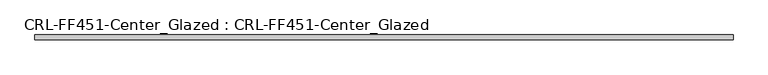
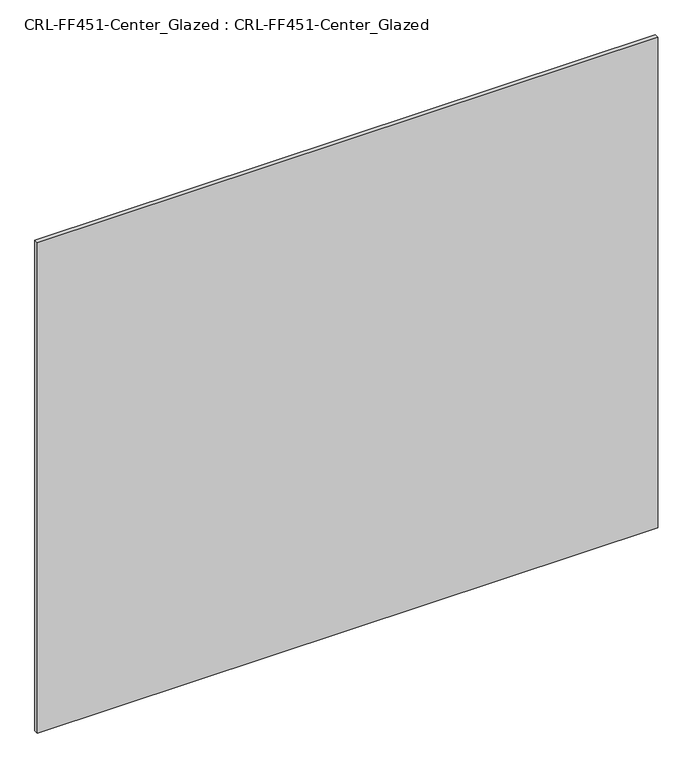
"""IFC4 building model written with IfcOpenShell, lengths in millimetres: plate geometry, CRL-FF451-Center_Glazed : CRL-FF451-Center_Glazed."""

from ifc_helpers import new_model, si_unit, origin, origin_with_axes, place, context, project, spatial, polyline, outline, extrude, source, transform, mapped, element, save


def crl_ff451_center_glazed_crl_ff451_center_glazed_f72a4ec6(model_context):
    return source(origin(), model_context, "Body", "SweptSolid", [
        extrude(outline(polyline([(-1841.5, 12.709956), (1841.5, 12.709956), (1841.5, -12.709956), (-1841.5, -12.709956), (-1841.5, 12.709956)])), origin_with_axes(), (0.0, 0.0, 1.0), 3076.575),
    ])


if __name__ == "__main__":
    model = new_model("IFC4")
    model_context = context("Model", 3, world=origin())
    ifc_project = project(units=[si_unit("LENGTHUNIT", "METRE", prefix="MILLI")], contexts=[model_context])
    site = spatial("IfcSite", under=ifc_project)
    building = spatial("IfcBuilding", under=site)
    placement = place(None, origin())
    crl_ff451_center_glazed_crl_ff451_center_glazed_shape = crl_ff451_center_glazed_crl_ff451_center_glazed_f72a4ec6(model_context)
    element("IfcPlate", 1, ObjectType="CRL-FF451-Center_Glazed : CRL-FF451-Center_Glazed", at=placement, inside=building, context=model_context, shape_type="MappedRepresentation", body=[
        mapped(crl_ff451_center_glazed_crl_ff451_center_glazed_shape, transform((0.0, 0.0, 0.0), x_axis=(1.0, 0.0, 0.0), y_axis=(0.0, 1.0, 0.0), z_axis=(0.0, 0.0, 1.0))),
    ])
    save(model, "model.ifc")
